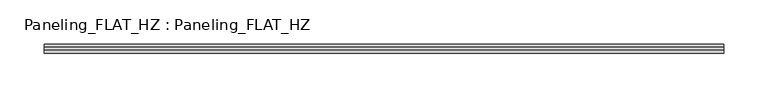
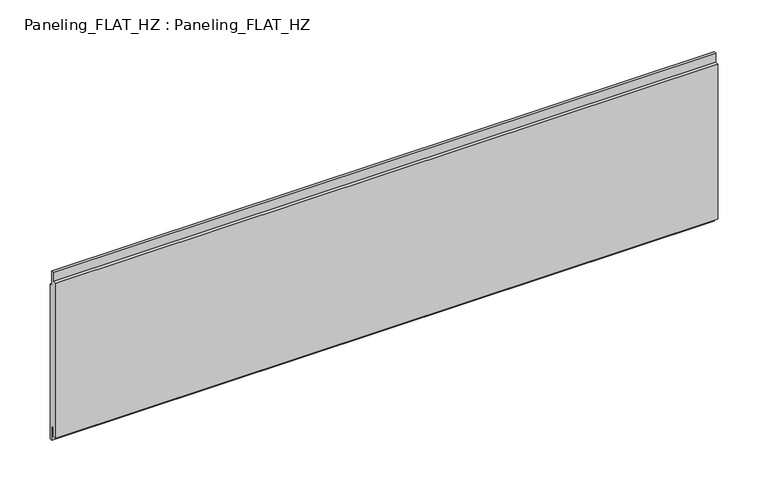
"""IFC4 building model written with IfcOpenShell, lengths in millimetres: plate geometry, Paneling_FLAT_HZ : Paneling_FLAT_HZ."""

import ifcopenshell
import ifcopenshell.guid

model = None  # the IFC model being written
_history = None  # IfcOwnerHistory: only IFC2X3 demands one
_inside = {}  # id of a spatial element -> (the spatial element, [elements in it])
_under = {}  # id of a project, library or spatial element -> (it, [spatial elements below it])
_declared = {}  # id of a project -> (the project, [libraries it declares])
_typed = {}  # id of a type object -> (the type object, [elements of that type])
_made_of = {}  # id of a material, layer set ... -> (it, [elements and type objects made of it])


def new_model(schema):
    """Start an empty IFC model of exactly this schema.

    Asked for "IFC4X3", IfcOpenShell would pick the latest addendum, in which some entities
    have other attributes; the version numbers below select the first issue.
    IFC2X3 requires an IfcOwnerHistory on every rooted entity: one is made here for all.
    """
    global model, _history
    if schema == "IFC4X3":
        model = ifcopenshell.file(schema_version=(4, 3, 0, 0))
    else:
        model = ifcopenshell.file(schema=schema)
    _inside.clear()
    _under.clear()
    _declared.clear()
    _typed.clear()
    _made_of.clear()
    _history = None
    if model.schema == "IFC2X3":
        org = make("IfcOrganization", Name="unknown")
        user = make(
            "IfcPersonAndOrganization",
            ThePerson=make("IfcPerson", FamilyName="unknown"),
            TheOrganization=org,
        )
        app = make(
            "IfcApplication",
            ApplicationDeveloper=org,
            Version="unknown",
            ApplicationFullName="unknown",
            ApplicationIdentifier="unknown",
        )
        _history = make(
            "IfcOwnerHistory",
            OwningUser=user,
            OwningApplication=app,
            ChangeAction="ADDED",
            CreationDate=0,
        )
    return model


def make(cls, **values):
    """One entity of the class cls with the attributes given. An attribute that is None is left unset."""
    return model.create_entity(
        cls, **{name: value for name, value in values.items() if value is not None}
    )


def rooted(cls, **values):
    """An entity with a GlobalId (a new one), such as an element, a storey or a relation."""
    return make(cls, GlobalId=ifcopenshell.guid.new(), OwnerHistory=_history, **values)


def si_unit(unit_type, name, prefix=None):
    """IfcSIUnit, for example si_unit("LENGTHUNIT", "METRE", prefix="MILLI")."""
    return make("IfcSIUnit", UnitType=unit_type, Prefix=prefix, Name=name)


def assignment(units):
    """IfcUnitAssignment: the units of a project."""
    return None if units is None else make("IfcUnitAssignment", Units=units)


def point(xyz):
    """IfcCartesianPoint."""
    return None if xyz is None else make("IfcCartesianPoint", Coordinates=xyz)


def direction(xyz):
    """IfcDirection."""
    return None if xyz is None else make("IfcDirection", DirectionRatios=xyz)


def frame(location, z_axis=None, x_axis=None):
    """IfcAxis2Placement3D, a coordinate frame: its origin and axes. An axis left out is left unset."""
    return make(
        "IfcAxis2Placement3D",
        Location=point(location),
        Axis=direction(z_axis),
        RefDirection=direction(x_axis),
    )


def origin():
    """The frame at (0, 0, 0) with its axes left unset."""
    return frame((0.0, 0.0, 0.0))


def place(relative_to, where):
    """IfcLocalPlacement: puts the frame where relative to a parent placement (None: the world)."""
    return make(
        "IfcLocalPlacement", PlacementRelTo=relative_to, RelativePlacement=where
    )


def context(
    kind, dimensions, precision=None, world=None, true_north=None, identifier=None
):
    """IfcGeometricRepresentationContext, for example the 3D "Model" context."""
    return make(
        "IfcGeometricRepresentationContext",
        ContextIdentifier=identifier,
        ContextType=kind,
        CoordinateSpaceDimension=dimensions,
        Precision=precision,
        WorldCoordinateSystem=world,
        TrueNorth=true_north,
    )


def project(units=None, contexts=None):
    """IfcProject with its units and contexts."""
    return rooted(
        "IfcProject",
        Name="project",
        RepresentationContexts=contexts,
        UnitsInContext=assignment(units),
    )


def spatial(cls, under=None, at=None, **own):
    """A site, building, storey or space (cls), placed at a placement, below another one or the project."""
    s = rooted(cls, ObjectPlacement=at, **own)
    if under is not None:
        _under.setdefault(under.id(), (under, []))[1].append(s)
    return s


def polyline(points):
    """IfcPolyline through the points."""
    return make("IfcPolyline", Points=[point(p) for p in points])


def outline(outer, holes=None, kind="AREA"):
    """IfcArbitraryClosedProfileDef: a profile drawn as a closed curve; with holes, ...WithVoids."""
    if holes is None:
        return make("IfcArbitraryClosedProfileDef", ProfileType=kind, OuterCurve=outer)
    return make(
        "IfcArbitraryProfileDefWithVoids",
        ProfileType=kind,
        OuterCurve=outer,
        InnerCurves=holes,
    )


def extrude(swept, where, along, depth):
    """IfcExtrudedAreaSolid: the profile swept, set in the frame where, extruded along a direction by depth."""
    return make(
        "IfcExtrudedAreaSolid",
        SweptArea=swept,
        Position=where,
        ExtrudedDirection=direction(along),
        Depth=depth,
    )


def shape(context_of_items, identifier, shape_type, items):
    """IfcShapeRepresentation: the items that make up one representation, for example the "Body"."""
    return make(
        "IfcShapeRepresentation",
        ContextOfItems=context_of_items,
        RepresentationIdentifier=identifier,
        RepresentationType=shape_type,
        Items=items,
    )


def source(mapping_origin, context_of_items, identifier, shape_type, items):
    """IfcRepresentationMap: a shape defined once, which mapped items show again and again."""
    return make(
        "IfcRepresentationMap",
        MappingOrigin=mapping_origin,
        MappedRepresentation=shape(context_of_items, identifier, shape_type, items),
    )


def transform(
    local_origin,
    x_axis=None,
    y_axis=None,
    z_axis=None,
    scale=None,
    scale2=None,
    scale3=None,
    uniform=True,
):
    """IfcCartesianTransformationOperator3D, or its non-uniform kind. x_axis, y_axis, z_axis: its Axis1, 2, 3."""
    if uniform:
        return make(
            "IfcCartesianTransformationOperator3D",
            Axis1=direction(x_axis),
            Axis2=direction(y_axis),
            LocalOrigin=point(local_origin),
            Scale=scale,
            Axis3=direction(z_axis),
        )
    return make(
        "IfcCartesianTransformationOperator3DnonUniform",
        Axis1=direction(x_axis),
        Axis2=direction(y_axis),
        LocalOrigin=point(local_origin),
        Scale=scale,
        Axis3=direction(z_axis),
        Scale2=scale2,
        Scale3=scale3,
    )


def mapped(mapping_source, mapping_target):
    """IfcMappedItem: shows the shape of a source again, moved by a transform."""
    return make(
        "IfcMappedItem", MappingSource=mapping_source, MappingTarget=mapping_target
    )


def made_of(thing, what):
    """Note that an element or type object is made of a material, layer set ...; save() writes the relation."""
    if what is not None:
        _made_of.setdefault(what.id(), (what, []))[1].append(thing)
    return thing


def element(
    cls,
    number,
    at=None,
    inside=None,
    cuts=None,
    type_object=None,
    material=None,
    context=None,
    identifier="Body",
    shape_type=None,
    held_by="IfcProductDefinitionShape",
    body=None,
    shapes=None,
    **own,
):
    """One element of the class cls, such as IfcWall. Its Tag is "e" and its number.

    at: its placement. inside: the storey or other place that contains it. cuts: it is an
    opening in that element (IfcRelVoidsElement). A single representation is given by context,
    identifier, shape_type and body (its items); several are given by shapes. held_by: the class
    of the entity that holds the representations. save() writes the other relations.
    """
    e = rooted(cls, Tag="e%d" % number, ObjectPlacement=at, **own)
    if body is not None:
        shapes = [shape(context, identifier, shape_type, body)]
    if shapes is not None:
        e.Representation = make(held_by, Representations=shapes)
    if inside is not None:
        _inside.setdefault(inside.id(), (inside, []))[1].append(e)
    if cuts is not None:
        rooted(
            "IfcRelVoidsElement", RelatingBuildingElement=cuts, RelatedOpeningElement=e
        )
    if type_object is not None:
        _typed.setdefault(type_object.id(), (type_object, []))[1].append(e)
    return made_of(e, material)


def aggregate(whole, parts):
    """IfcRelAggregates: a whole, such as a stair, and the parts it consists of."""
    return rooted("IfcRelAggregates", RelatingObject=whole, RelatedObjects=parts)


def save(model, path):
    """Write the relations noted so far, then the file.

    IfcRelAggregates (storeys below a building ...), IfcRelContainedInSpatialStructure (elements
    in a storey), IfcRelDefinesByType, IfcRelAssociatesMaterial and IfcRelDeclares: one each for
    every whole, place, type object, material and project.
    """
    for whole, parts in _under.values():
        aggregate(whole, parts)
    for where, things in _inside.values():
        rooted(
            "IfcRelContainedInSpatialStructure",
            RelatedElements=things,
            RelatingStructure=where,
        )
    for kind, things in _typed.values():
        rooted("IfcRelDefinesByType", RelatedObjects=things, RelatingType=kind)
    for what, things in _made_of.values():
        rooted("IfcRelAssociatesMaterial", RelatedObjects=things, RelatingMaterial=what)
    for by, libraries in _declared.values():
        rooted("IfcRelDeclares", RelatingContext=by, RelatedDefinitions=libraries)
    model.write(path)


def paneling_flat_hz_paneling_flat_hz_4f84b75b(model_context):
    return source(origin(), model_context, "Body", "SweptSolid", [
        extrude(outline(polyline([(-1.0, 200.0), (2.0, 200.0), (2.0, 182.0), (5.0, 182.0), (5.0, -7.0), (2.0, -7.0), (2.0, 11.0), (-1.0, 11.0), (-1.0, 0.0), (-5.0, 0.0), (-5.0, 189.0), (-1.0, 189.0), (-1.0, 200.0)])), frame((-382.25, 0.0, 0.0), z_axis=(1.0, 0.0, 0.0), x_axis=(0.0, 1.0, 0.0)), (0.0, 0.0, 1.0), 764.5),
    ])


if __name__ == "__main__":
    model = new_model("IFC4")
    model_context = context("Model", 3, world=origin())
    ifc_project = project(units=[si_unit("LENGTHUNIT", "METRE", prefix="MILLI")], contexts=[model_context])
    site = spatial("IfcSite", under=ifc_project)
    building = spatial("IfcBuilding", under=site)
    placement = place(None, origin())
    paneling_flat_hz_paneling_flat_hz_shape = paneling_flat_hz_paneling_flat_hz_4f84b75b(model_context)
    element("IfcPlate", 1, ObjectType="Paneling_FLAT_HZ : Paneling_FLAT_HZ", at=placement, inside=building, context=model_context, shape_type="MappedRepresentation", body=[
        mapped(paneling_flat_hz_paneling_flat_hz_shape, transform((0.0, 0.0, 0.0), x_axis=(1.0, 0.0, 0.0), y_axis=(0.0, 1.0, 0.0), z_axis=(0.0, 0.0, 1.0))),
    ])
    save(model, "model.ifc")
